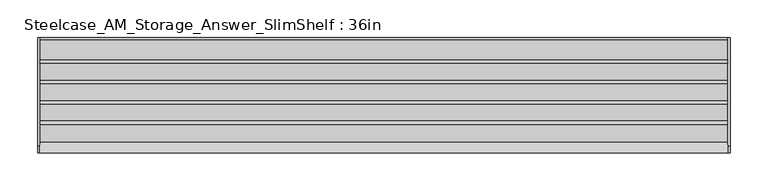
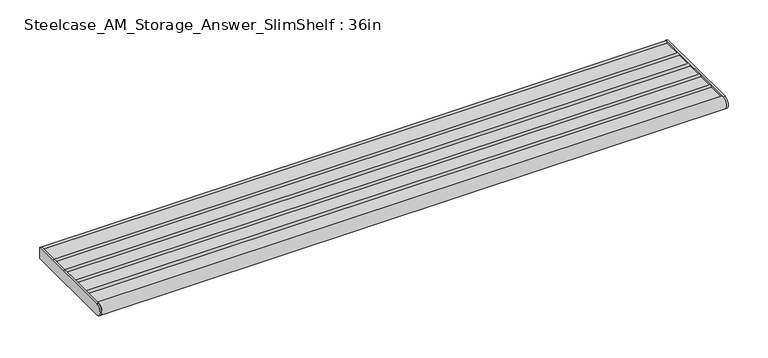
"""IFC4 building model written with IfcOpenShell, lengths in millimetres: furniture geometry, Steelcase_AM_Storage_Answer_SlimShelf : 36in."""

from ifc_helpers import new_model, si_unit, point, frame, frame_2d, origin, place, context, project, spatial, polyline, circle_curve, trimmed, segment, composite_curve, outline, extrude, source, transform, mapped, element, save


def steelcase_am_storage_answer_slimshelf_36in_5be3334f(model_context):
    return source(origin(), model_context, "Body", "SweptSolid", [
        extrude(outline(composite_curve([segment(polyline([(-29.2099994, 928.482716), (-2.2859999, 928.482716)]), True, "CONTINUOUS"), segment(trimmed(circle_curve(frame_2d((1e-07, 928.482716)), 2.2860001), [point((-2.2859999, 928.482716))], [point((0.0, 930.7687161))], False, "CARTESIAN"), True, "CONTINUOUS"), segment(polyline([(0.0, 930.7687161), (0.0, 914.4), (-143.9753135, 914.4)]), True, "CONTINUOUS"), segment(trimmed(circle_curve(frame_2d((-143.9753135, 922.8328065)), 8.4328065), [point((-143.9753135, 914.4))], [point((-137.7150621, 928.482716))], False, "CARTESIAN"), True, "CONTINUOUS"), segment(polyline([(-137.7150621, 928.482716), (-114.7063978, 928.482716)]), True, "CONTINUOUS"), segment(trimmed(circle_curve(frame_2d((-112.4204, 928.482716)), 2.2859978), [point((-114.7063978, 928.482716))], [point((-110.1344022, 928.482716))], False, "CARTESIAN"), True, "CONTINUOUS"), segment(polyline([(-110.1344022, 928.482716), (-87.7315999, 928.482716)]), True, "CONTINUOUS"), segment(trimmed(circle_curve(frame_2d((-85.4456021, 928.482716)), 2.2859978), [point((-87.7315999, 928.482716))], [point((-83.1596043, 928.482716))], False, "CARTESIAN"), True, "CONTINUOUS"), segment(polyline([(-83.1596043, 928.482716), (-60.756802, 928.482716)]), True, "CONTINUOUS"), segment(trimmed(circle_curve(frame_2d((-58.4708019, 928.482716)), 2.2860001), [point((-60.756802, 928.482716))], [point((-56.1848018, 928.482716))], False, "CARTESIAN"), True, "CONTINUOUS"), segment(polyline([(-56.1848018, 928.482716), (-33.7819996, 928.482716)]), True, "CONTINUOUS"), segment(trimmed(circle_curve(frame_2d((-31.4959995, 928.482716)), 2.2860001), [point((-33.7819996, 928.482716))], [point((-29.2099994, 928.482716))], False, "CARTESIAN"), True, "CONTINUOUS")], self_intersect=False)), frame((2.7431999, 0.0, 0.0), z_axis=(1.0, 0.0, 0.0), x_axis=(0.0, 1.0, 0.0)), (0.0, 0.0, 1.0), 908.8120001),
        extrude(outline(composite_curve([segment(polyline([(-143.9753135, 931.265613), (0.0, 931.265613), (0.0, 914.4), (-143.9753135, 914.4)]), True, "CONTINUOUS"), segment(trimmed(circle_curve(frame_2d((-143.9753135, 922.8328065)), 8.4328065), [point((-143.9753135, 914.4))], [point((-143.9753135, 931.265613))], False, "CARTESIAN"), True, "CONTINUOUS")], self_intersect=False)), frame((911.5552, 0.0, 0.0), z_axis=(1.0, 0.0, 0.0), x_axis=(0.0, 1.0, 0.0)), (0.0, 0.0, 1.0), 2.8448),
        extrude(outline(composite_curve([segment(polyline([(-143.9753135, 931.265613), (0.0, 931.265613), (0.0, 914.4), (-143.9753135, 914.4)]), True, "CONTINUOUS"), segment(trimmed(circle_curve(frame_2d((-143.9753135, 922.8328065)), 8.4328065), [point((-143.9753135, 914.4))], [point((-143.9753135, 931.265613))], False, "CARTESIAN"), True, "CONTINUOUS")], self_intersect=False)), frame((0.0, 0.0, 0.0), z_axis=(1.0, 0.0, 0.0), x_axis=(0.0, 1.0, 0.0)), (0.0, 0.0, 1.0), 2.7431999),
    ])


if __name__ == "__main__":
    model = new_model("IFC4")
    model_context = context("Model", 3, world=origin())
    ifc_project = project(units=[si_unit("LENGTHUNIT", "METRE", prefix="MILLI")], contexts=[model_context])
    site = spatial("IfcSite", under=ifc_project)
    building = spatial("IfcBuilding", under=site)
    placement = place(None, origin())
    steelcase_am_storage_answer_slimshelf_36in_shape = steelcase_am_storage_answer_slimshelf_36in_5be3334f(model_context)
    element("IfcFurniture", 1, ObjectType="Steelcase_AM_Storage_Answer_SlimShelf : 36in", at=placement, inside=building, context=model_context, shape_type="MappedRepresentation", body=[
        mapped(steelcase_am_storage_answer_slimshelf_36in_shape, transform((0.0, 0.0, 0.0), x_axis=(1.0, 0.0, 0.0), y_axis=(0.0, 1.0, 0.0), z_axis=(0.0, 0.0, 1.0))),
    ])
    save(model, "model.ifc")
